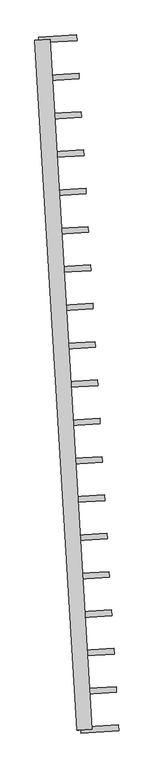
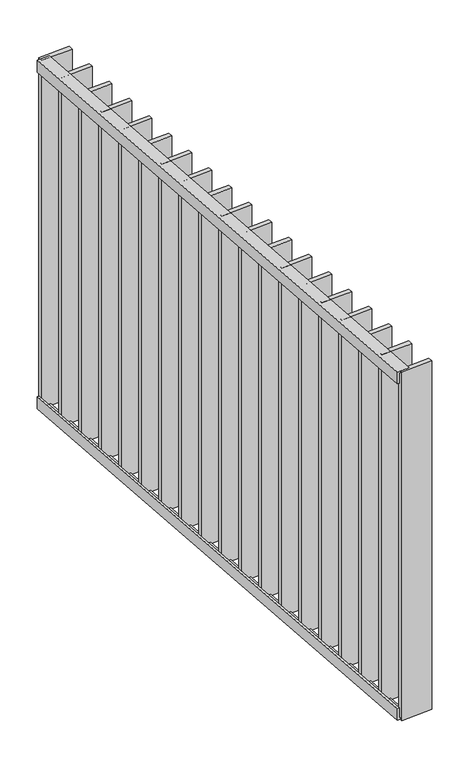
"""IFC4 building model written with IfcOpenShell, lengths in millimetres: railing geometry."""

from ifc_helpers import new_model, si_unit, frame, origin, place, context, project, spatial, polyline, outline, extrude, source, transform, mapped, element, save


def railing_fc8352ce(model_context):
    return source(origin(), model_context, "Body", "SweptSolid", [
        extrude(outline(polyline([(-13.9999999, 6.0), (20.0, 6.0), (20.0, 0.0), (-19.9999999, 0.0), (-19.9999999, 40.0), (-13.9999999, 40.0), (-13.9999999, 6.0)])), frame((67519.2103733, 29569.9386573, 8000.0), z_axis=(-0.06104853953228403, 0.9981347984220243, 0.0), x_axis=(0.9981347984220243, 0.06104853953228403, 0.0)), (0.0, 0.0, 1.0), 1810.0),
        extrude(outline(polyline([(-13.9999999, -6.0), (-13.9999999, -40.0), (-19.9999999, -40.0), (-19.9999999, 0.0), (20.0, 0.0), (20.0, -6.0), (-13.9999999, -6.0)])), frame((67519.2103733, 29569.9386573, 6820.0), z_axis=(-0.06104853953228403, 0.9981347984220243, 0.0), x_axis=(0.9981347984220243, 0.06104853953228403, 0.0)), (0.0, 0.0, 1.0), 1810.0),
        extrude(outline(polyline([(67502.6323915, 29677.182182), (67602.4458713, 29683.287036), (67603.3615994, 29668.315014), (67503.5481196, 29662.21016), (67502.6323915, 29677.182182)])), frame((0.0, 0.0, 6819.9), z_axis=(0.0, 0.0, 1.0), x_axis=(1.0, 0.0, 0.0)), (0.0, 0.0, 1.0), 1180.2),
        extrude(outline(polyline([(67496.4936217, 29777.5501812), (67596.3071015, 29783.6550352), (67597.2228296, 29768.6830132), (67497.4093498, 29762.5781592), (67496.4936217, 29777.5501812)])), frame((0.0, 0.0, 6819.9), z_axis=(0.0, 0.0, 1.0), x_axis=(1.0, 0.0, 0.0)), (0.0, 0.0, 1.0), 1180.2),
        extrude(outline(polyline([(67490.3548519, 29877.9181804), (67590.1683317, 29884.0230343), (67591.0840598, 29869.0510124), (67491.27058, 29862.9461584), (67490.3548519, 29877.9181804)])), frame((0.0, 0.0, 6819.9), z_axis=(0.0, 0.0, 1.0), x_axis=(1.0, 0.0, 0.0)), (0.0, 0.0, 1.0), 1180.2),
        extrude(outline(polyline([(67484.2160821, 29978.2861795), (67584.0295619, 29984.3910335), (67584.94529, 29969.4190115), (67485.1318102, 29963.3141576), (67484.2160821, 29978.2861795)])), frame((0.0, 0.0, 6819.9), z_axis=(0.0, 0.0, 1.0), x_axis=(1.0, 0.0, 0.0)), (0.0, 0.0, 1.0), 1180.2),
        extrude(outline(polyline([(67478.0773123, 30078.6541787), (67577.8907921, 30084.7590327), (67578.8065202, 30069.7870107), (67478.9930403, 30063.6821567), (67478.0773123, 30078.6541787)])), frame((0.0, 0.0, 6819.9), z_axis=(0.0, 0.0, 1.0), x_axis=(1.0, 0.0, 0.0)), (0.0, 0.0, 1.0), 1180.2),
        extrude(outline(polyline([(67471.9385424, 30179.0221779), (67571.7520223, 30185.1270319), (67572.6677504, 30170.1550099), (67472.8542705, 30164.0501559), (67471.9385424, 30179.0221779)])), frame((0.0, 0.0, 6819.9), z_axis=(0.0, 0.0, 1.0), x_axis=(1.0, 0.0, 0.0)), (0.0, 0.0, 1.0), 1180.2),
        extrude(outline(polyline([(67465.7997726, 30279.3901771), (67565.6132525, 30285.495031), (67566.5289806, 30270.5230091), (67466.7155007, 30264.4181551), (67465.7997726, 30279.3901771)])), frame((0.0, 0.0, 6819.9), z_axis=(0.0, 0.0, 1.0), x_axis=(1.0, 0.0, 0.0)), (0.0, 0.0, 1.0), 1180.2),
        extrude(outline(polyline([(67459.6610028, 30379.7581762), (67559.4744827, 30385.8630302), (67560.3902108, 30370.8910082), (67460.5767309, 30364.7861543), (67459.6610028, 30379.7581762)])), frame((0.0, 0.0, 6819.9), z_axis=(0.0, 0.0, 1.0), x_axis=(1.0, 0.0, 0.0)), (0.0, 0.0, 1.0), 1180.2),
        extrude(outline(polyline([(67453.522233, 30480.1261754), (67553.3357129, 30486.2310294), (67554.251441, 30471.2590074), (67454.4379611, 30465.1541534), (67453.522233, 30480.1261754)])), frame((0.0, 0.0, 6819.9), z_axis=(0.0, 0.0, 1.0), x_axis=(1.0, 0.0, 0.0)), (0.0, 0.0, 1.0), 1180.2),
        extrude(outline(polyline([(67447.3834632, 30580.4941746), (67547.1969431, 30586.5990286), (67548.1126711, 30571.6270066), (67448.2991913, 30565.5221526), (67447.3834632, 30580.4941746)])), frame((0.0, 0.0, 6819.9), z_axis=(0.0, 0.0, 1.0), x_axis=(1.0, 0.0, 0.0)), (0.0, 0.0, 1.0), 1180.2),
        extrude(outline(polyline([(67441.2446934, 30680.8621738), (67541.0581732, 30686.9670277), (67541.9739013, 30671.9950058), (67442.1604215, 30665.8901518), (67441.2446934, 30680.8621738)])), frame((0.0, 0.0, 6819.9), z_axis=(0.0, 0.0, 1.0), x_axis=(1.0, 0.0, 0.0)), (0.0, 0.0, 1.0), 1180.2),
        extrude(outline(polyline([(67435.1059236, 30781.2301729), (67534.9194034, 30787.3350269), (67535.8351315, 30772.3630049), (67436.0216517, 30766.258151), (67435.1059236, 30781.2301729)])), frame((0.0, 0.0, 6819.9), z_axis=(0.0, 0.0, 1.0), x_axis=(1.0, 0.0, 0.0)), (0.0, 0.0, 1.0), 1180.2),
        extrude(outline(polyline([(67428.9671538, 30881.5981721), (67528.7806336, 30887.7030261), (67529.6963617, 30872.7310041), (67429.8828819, 30866.6261501), (67428.9671538, 30881.5981721)])), frame((0.0, 0.0, 6819.9), z_axis=(0.0, 0.0, 1.0), x_axis=(1.0, 0.0, 0.0)), (0.0, 0.0, 1.0), 1180.2),
        extrude(outline(polyline([(67422.828384, 30981.9661713), (67522.6418638, 30988.0710253), (67523.5575919, 30973.0990033), (67423.7441121, 30966.9941493), (67422.828384, 30981.9661713)])), frame((0.0, 0.0, 6819.9), z_axis=(0.0, 0.0, 1.0), x_axis=(1.0, 0.0, 0.0)), (0.0, 0.0, 1.0), 1180.2),
        extrude(outline(polyline([(67416.6896142, 31082.3341705), (67516.503094, 31088.4390244), (67517.4188221, 31073.4670025), (67417.6053423, 31067.3621485), (67416.6896142, 31082.3341705)])), frame((0.0, 0.0, 6819.9), z_axis=(0.0, 0.0, 1.0), x_axis=(1.0, 0.0, 0.0)), (0.0, 0.0, 1.0), 1180.2),
        extrude(outline(polyline([(67410.5508444, 31182.7021696), (67510.3643242, 31188.8070236), (67511.2800523, 31173.8350016), (67411.4665725, 31167.7301477), (67410.5508444, 31182.7021696)])), frame((0.0, 0.0, 6819.9), z_axis=(0.0, 0.0, 1.0), x_axis=(1.0, 0.0, 0.0)), (0.0, 0.0, 1.0), 1180.2),
        extrude(outline(polyline([(67404.4120746, 31283.0701688), (67504.2255544, 31289.1750228), (67505.1412825, 31274.2030008), (67405.3278026, 31268.0981468), (67404.4120746, 31283.0701688)])), frame((0.0, 0.0, 6819.9), z_axis=(0.0, 0.0, 1.0), x_axis=(1.0, 0.0, 0.0)), (0.0, 0.0, 1.0), 1180.2),
        extrude(outline(polyline([(67508.7711613, 29576.8141828), (67608.5846411, 29582.9190368), (67609.5003692, 29567.9470148), (67509.6868894, 29561.8421609), (67508.7711613, 29576.8141828)])), frame((0.0, 0.0, 6819.9), z_axis=(0.0, 0.0, 1.0), x_axis=(1.0, 0.0, 0.0)), (0.0, 0.0, 1.0), 1180.2),
        extrude(outline(polyline([(67398.2733047, 31383.438168), (67498.0867846, 31389.543022), (67499.0025127, 31374.571), (67399.1890328, 31368.466146), (67398.2733047, 31383.438168)])), frame((0.0, 0.0, 6819.9), z_axis=(0.0, 0.0, 1.0), x_axis=(1.0, 0.0, 0.0)), (0.0, 0.0, 1.0), 1180.2),
    ])


if __name__ == "__main__":
    model = new_model("IFC4")
    model_context = context("Model", 3, world=origin())
    ifc_project = project(units=[si_unit("LENGTHUNIT", "METRE", prefix="MILLI")], contexts=[model_context])
    site = spatial("IfcSite", under=ifc_project)
    building = spatial("IfcBuilding", under=site)
    placement = place(None, origin())
    railing_shape = railing_fc8352ce(model_context)
    element("IfcRailing", 1, at=placement, inside=building, context=model_context, shape_type="MappedRepresentation", body=[
        mapped(railing_shape, transform((0.0, 0.0, 0.0), x_axis=(1.0, 0.0, 0.0), y_axis=(0.0, 1.0, 0.0), z_axis=(0.0, 0.0, 1.0))),
    ])
    save(model, "model.ifc")
